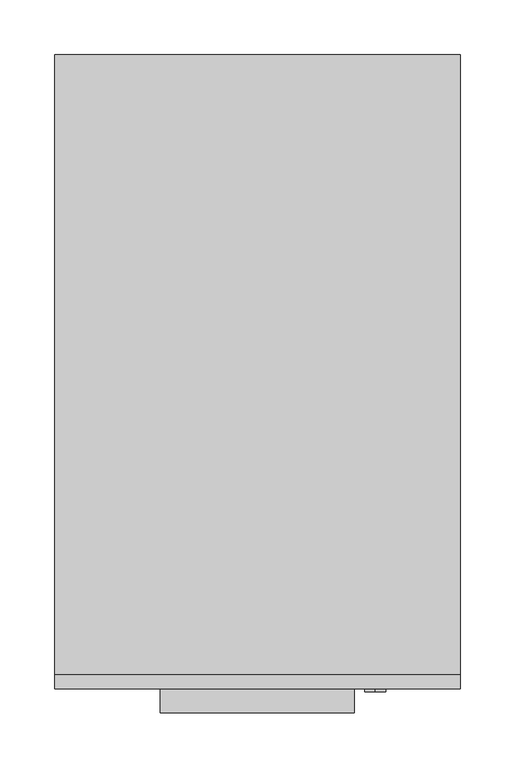
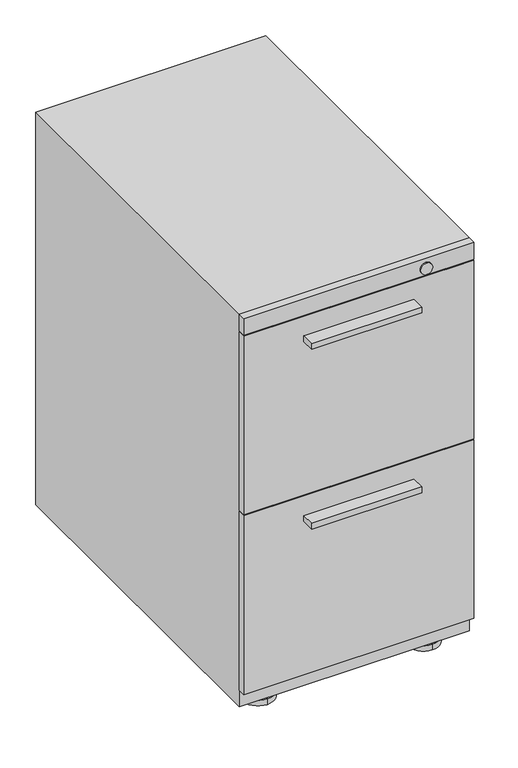
"""IFC4 building model written with IfcOpenShell, lengths in millimetres: furniture geometry."""

from ifc_helpers import new_model, si_unit, point, frame, frame_2d, origin, place, context, project, spatial, polyline, circle_curve, trimmed, segment, composite_curve, outline, extrude, source, transform, mapped, element, save
from ifc_brep_helpers import plane_surface, cylinder_surface, advanced_brep


def furniture_214c138c(model_context):
    return source(origin(), model_context, "Body", "SolidModel", [
        extrude(outline(polyline([(88.9, -312.801), (-88.9, -312.801), (-88.9, -290.576), (88.9, -290.576), (88.9, -312.801)])), frame((0.0, 0.0, 312.7248), z_axis=(0.0, 0.0, 1.0), x_axis=(1.0, 0.0, 0.0)), (0.0, 0.0, 1.0), 9.525),
        extrude(outline(polyline([(88.9, -312.801), (-88.9, -312.801), (-88.9, -290.576), (88.9, -290.576), (88.9, -312.801)])), frame((0.0, 0.0, 619.0996), z_axis=(0.0, 0.0, 1.0), x_axis=(1.0, 0.0, 0.0)), (0.0, 0.0, 1.0), 9.525),
        advanced_brep(
        [(133.35, 274.7009902, 9.525), (133.35, 223.9009932, 9.525), (133.35, 249.3009917, 9.525), (133.35, 274.7009902, 0.0), (133.35, 223.9009932, 0.0), (133.35, 249.3009917, 0.0)],
        [
            (0, 1, circle_curve(frame((133.35, 249.3009917, 9.525), z_axis=(0.0, 0.0, 1.0), x_axis=(0.0, -1.0, 0.0)), 25.3999985)),
            (1, 2),
            (2, 0),
            (1, 0, circle_curve(frame((133.35, 249.3009917, 9.525), z_axis=(0.0, 0.0, 1.0), x_axis=(0.0, -1.0, 0.0)), 25.3999985)),
            (3, 4, circle_curve(frame((133.35, 249.3009917, 0.0), z_axis=(0.0, 0.0, 1.0), x_axis=(0.0, -1.0, 0.0)), 25.3999985)),
            (4, 1),
            (0, 3),
            (4, 3, circle_curve(frame((133.35, 249.3009917, 0.0), z_axis=(0.0, 0.0, 1.0), x_axis=(0.0, -1.0, 0.0)), 25.3999985)),
            (5, 4),
            (3, 5),
        ],
        [
            plane_surface(frame((133.35, 249.3009917, 9.525), z_axis=(0.0, 0.0, 1.0), x_axis=(0.0, -1.0, 0.0))),
            cylinder_surface(frame((133.35, 249.3009917, 0.0), z_axis=(0.0, 0.0, -1.0), x_axis=(0.0, -1.0, 0.0)), 25.3999985),
            plane_surface(frame((133.35, 249.3009917, 0.0), z_axis=(0.0, 0.0, -1.0), x_axis=(0.0, -1.0, 0.0))),
        ],
        [
            (0, [[1, 2, 3]]),
            (0, [[4, -3, -2]]),
            (1, [[5, 6, -1, 7]]),
            (1, [[8, -7, -4, -6]]),
            (2, [[9, -5, 10]]),
            (2, [[-10, -8, -9]]),
        ],
    ),
        advanced_brep(
        [(133.35, -214.3760098, 9.525), (133.35, -265.1760068, 9.525), (133.35, -239.7760083, 9.525), (133.35, -214.3760098, 0.0), (133.35, -265.1760068, 0.0), (133.35, -239.7760083, 0.0)],
        [
            (0, 1, circle_curve(frame((133.35, -239.7760083, 9.525), z_axis=(0.0, 0.0, 1.0), x_axis=(0.0, -1.0, 0.0)), 25.3999985)),
            (1, 2),
            (2, 0),
            (1, 0, circle_curve(frame((133.35, -239.7760083, 9.525), z_axis=(0.0, 0.0, 1.0), x_axis=(0.0, -1.0, 0.0)), 25.3999985)),
            (3, 4, circle_curve(frame((133.35, -239.7760083, 0.0), z_axis=(0.0, 0.0, 1.0), x_axis=(0.0, -1.0, 0.0)), 25.3999985)),
            (4, 1),
            (0, 3),
            (4, 3, circle_curve(frame((133.35, -239.7760083, 0.0), z_axis=(0.0, 0.0, 1.0), x_axis=(0.0, -1.0, 0.0)), 25.3999985)),
            (5, 4),
            (3, 5),
        ],
        [
            plane_surface(frame((133.35, -239.7760083, 9.525), z_axis=(0.0, 0.0, 1.0), x_axis=(0.0, -1.0, 0.0))),
            cylinder_surface(frame((133.35, -239.7760083, 0.0), z_axis=(0.0, 0.0, -1.0), x_axis=(0.0, -1.0, 0.0)), 25.3999985),
            plane_surface(frame((133.35, -239.7760083, 0.0), z_axis=(0.0, 0.0, -1.0), x_axis=(0.0, -1.0, 0.0))),
        ],
        [
            (0, [[1, 2, 3]]),
            (0, [[4, -3, -2]]),
            (1, [[5, 6, -1, 7]]),
            (1, [[8, -7, -4, -6]]),
            (2, [[9, -5, 10]]),
            (2, [[-10, -8, -9]]),
        ],
    ),
        advanced_brep(
        [(-133.35, -214.3760098, 9.525), (-133.35, -265.1760068, 9.525), (-133.35, -239.7760083, 9.525), (-133.35, -214.3760098, 0.0), (-133.35, -265.1760068, 0.0), (-133.35, -239.7760083, 0.0)],
        [
            (0, 1, circle_curve(frame((-133.35, -239.7760083, 9.525), z_axis=(0.0, 0.0, 1.0), x_axis=(0.0, -1.0, 0.0)), 25.3999985)),
            (1, 2),
            (2, 0),
            (1, 0, circle_curve(frame((-133.35, -239.7760083, 9.525), z_axis=(0.0, 0.0, 1.0), x_axis=(0.0, -1.0, 0.0)), 25.3999985)),
            (3, 4, circle_curve(frame((-133.35, -239.7760083, 0.0), z_axis=(0.0, 0.0, 1.0), x_axis=(0.0, -1.0, 0.0)), 25.3999985)),
            (4, 1),
            (0, 3),
            (4, 3, circle_curve(frame((-133.35, -239.7760083, 0.0), z_axis=(0.0, 0.0, 1.0), x_axis=(0.0, -1.0, 0.0)), 25.3999985)),
            (5, 4),
            (3, 5),
        ],
        [
            plane_surface(frame((-133.35, -239.7760083, 9.525), z_axis=(0.0, 0.0, 1.0), x_axis=(0.0, -1.0, 0.0))),
            cylinder_surface(frame((-133.35, -239.7760083, 0.0), z_axis=(0.0, 0.0, -1.0), x_axis=(0.0, -1.0, 0.0)), 25.3999985),
            plane_surface(frame((-133.35, -239.7760083, 0.0), z_axis=(0.0, 0.0, -1.0), x_axis=(0.0, -1.0, 0.0))),
        ],
        [
            (0, [[1, 2, 3]]),
            (0, [[4, -3, -2]]),
            (1, [[5, 6, -1, 7]]),
            (1, [[8, -7, -4, -6]]),
            (2, [[9, -5, 10]]),
            (2, [[-10, -8, -9]]),
        ],
    ),
        advanced_brep(
        [(-133.35, 274.7009902, 9.525), (-133.35, 223.9009932, 9.525), (-133.35, 249.3009917, 9.525), (-133.35, 274.7009902, 0.0), (-133.35, 223.9009932, 0.0), (-133.35, 249.3009917, 0.0)],
        [
            (0, 1, circle_curve(frame((-133.35, 249.3009917, 9.525), z_axis=(0.0, 0.0, 1.0), x_axis=(0.0, -1.0, 0.0)), 25.3999985)),
            (1, 2),
            (2, 0),
            (1, 0, circle_curve(frame((-133.35, 249.3009917, 9.525), z_axis=(0.0, 0.0, 1.0), x_axis=(0.0, -1.0, 0.0)), 25.3999985)),
            (3, 4, circle_curve(frame((-133.35, 249.3009917, 0.0), z_axis=(0.0, 0.0, 1.0), x_axis=(0.0, -1.0, 0.0)), 25.3999985)),
            (4, 1),
            (0, 3),
            (4, 3, circle_curve(frame((-133.35, 249.3009917, 0.0), z_axis=(0.0, 0.0, 1.0), x_axis=(0.0, -1.0, 0.0)), 25.3999985)),
            (5, 4),
            (3, 5),
        ],
        [
            plane_surface(frame((-133.35, 249.3009917, 9.525), z_axis=(0.0, 0.0, 1.0), x_axis=(0.0, -1.0, 0.0))),
            cylinder_surface(frame((-133.35, 249.3009917, 0.0), z_axis=(0.0, 0.0, -1.0), x_axis=(0.0, -1.0, 0.0)), 25.3999985),
            plane_surface(frame((-133.35, 249.3009917, 0.0), z_axis=(0.0, 0.0, -1.0), x_axis=(0.0, -1.0, 0.0))),
        ],
        [
            (0, [[1, 2, 3]]),
            (0, [[4, -3, -2]]),
            (1, [[5, 6, -1, 7]]),
            (1, [[8, -7, -4, -6]]),
            (2, [[9, -5, 10]]),
            (2, [[-10, -8, -9]]),
        ],
    ),
        extrude(outline(polyline([(185.7375, -277.8759516), (185.7375, -290.576), (-185.7375, -290.576), (-185.7375, -277.8759516), (185.7375, -277.8759516)])), frame((0.0, 0.0, 50.8), z_axis=(0.0, 0.0, 1.0), x_axis=(1.0, 0.0, 0.0)), (0.0, 0.0, 1.0), 304.8),
        extrude(outline(polyline([(185.7375, -277.8759516), (185.7375, -290.576), (-185.7375, -290.576), (-185.7375, -277.8759516), (185.7375, -277.8759516)])), frame((0.0, 0.0, 357.1748), z_axis=(0.0, 0.0, 1.0), x_axis=(1.0, 0.0, 0.0)), (0.0, 0.0, 1.0), 304.8),
        extrude(outline(composite_curve([segment(trimmed(circle_curve(frame_2d((133.35, -239.7760083)), 12.7), [point((120.65, -239.7760083))], [point((146.05, -239.7760083))], False, "CARTESIAN"), True, "CONTINUOUS"), segment(trimmed(circle_curve(frame_2d((133.35, -239.7760083)), 12.7), [point((146.05, -239.7760083))], [point((120.65, -239.7760083))], False, "CARTESIAN"), True, "CONTINUOUS")], self_intersect=False)), frame((0.0, 0.0, 9.525), z_axis=(0.0, 0.0, 1.0), x_axis=(1.0, 0.0, 0.0)), (0.0, 0.0, 1.0), 12.7),
        extrude(outline(composite_curve([segment(trimmed(circle_curve(frame_2d((-133.35, -239.7760083)), 12.7), [point((-146.05, -239.7760083))], [point((-120.65, -239.7760083))], False, "CARTESIAN"), True, "CONTINUOUS"), segment(trimmed(circle_curve(frame_2d((-133.35, -239.7760083)), 12.7), [point((-120.65, -239.7760083))], [point((-146.05, -239.7760083))], False, "CARTESIAN"), True, "CONTINUOUS")], self_intersect=False)), frame((0.0, 0.0, 9.525), z_axis=(0.0, 0.0, 1.0), x_axis=(1.0, 0.0, 0.0)), (0.0, 0.0, 1.0), 12.7),
        extrude(outline(composite_curve([segment(trimmed(circle_curve(frame_2d((133.35, 249.3009917)), 12.7), [point((120.65, 249.3009917))], [point((146.05, 249.3009917))], False, "CARTESIAN"), True, "CONTINUOUS"), segment(trimmed(circle_curve(frame_2d((133.35, 249.3009917)), 12.7), [point((146.05, 249.3009917))], [point((120.65, 249.3009917))], False, "CARTESIAN"), True, "CONTINUOUS")], self_intersect=False)), frame((0.0, 0.0, 9.525), z_axis=(0.0, 0.0, 1.0), x_axis=(1.0, 0.0, 0.0)), (0.0, 0.0, 1.0), 12.7),
        extrude(outline(composite_curve([segment(trimmed(circle_curve(frame_2d((-133.35, 249.3009917)), 12.7), [point((-146.05, 249.3009917))], [point((-120.65, 249.3009917))], False, "CARTESIAN"), True, "CONTINUOUS"), segment(trimmed(circle_curve(frame_2d((-133.35, 249.3009917)), 12.7), [point((-120.65, 249.3009917))], [point((-146.05, 249.3009917))], False, "CARTESIAN"), True, "CONTINUOUS")], self_intersect=False)), frame((0.0, 0.0, 9.525), z_axis=(0.0, 0.0, 1.0), x_axis=(1.0, 0.0, 0.0)), (0.0, 0.0, 1.0), 12.7),
        extrude(outline(polyline([(185.7375, -277.8759516), (185.7375, -290.576), (-185.7375, -290.576), (-185.7375, -277.8759516), (185.7375, -277.8759516)])), frame((0.0, 0.0, 663.575), z_axis=(0.0, 0.0, 1.0), x_axis=(1.0, 0.0, 0.0)), (0.0, 0.0, 1.0), 28.575),
        extrude(outline(polyline([(185.7375, 290.576), (185.7375, -277.8759516), (-185.7375, -277.8759516), (-185.7375, 290.576), (185.7375, 290.576)])), frame((0.0, 0.0, 22.225), z_axis=(0.0, 0.0, 1.0), x_axis=(1.0, 0.0, 0.0)), (0.0, 0.0, 1.0), 669.925),
        extrude(outline(composite_curve([segment(trimmed(circle_curve(frame_2d((676.2750242, 107.9500242)), 9.525), [point((666.7500242, 107.9500242))], [point((685.8000242, 107.9500242))], False, "CARTESIAN"), True, "CONTINUOUS"), segment(trimmed(circle_curve(frame_2d((676.2750242, 107.9500242)), 9.525), [point((685.8000242, 107.9500242))], [point((666.7500242, 107.9500242))], False, "CARTESIAN"), True, "CONTINUOUS")], self_intersect=False)), frame((0.0, -293.7509879, 0.0), z_axis=(0.0, 1.0, 0.0), x_axis=(0.0, 0.0, 1.0)), (0.0, 0.0, 1.0), 3.1749879),
    ])


if __name__ == "__main__":
    model = new_model("IFC4")
    model_context = context("Model", 3, world=origin())
    ifc_project = project(units=[si_unit("LENGTHUNIT", "METRE", prefix="MILLI")], contexts=[model_context])
    site = spatial("IfcSite", under=ifc_project)
    building = spatial("IfcBuilding", under=site)
    placement = place(None, origin())
    furniture_shape = furniture_214c138c(model_context)
    element("IfcFurniture", 1, at=placement, inside=building, context=model_context, shape_type="MappedRepresentation", body=[
        mapped(furniture_shape, transform((0.0, 0.0, 0.0), x_axis=(1.0, 0.0, 0.0), y_axis=(0.0, 1.0, 0.0), z_axis=(0.0, 0.0, 1.0))),
    ])
    save(model, "model.ifc")
